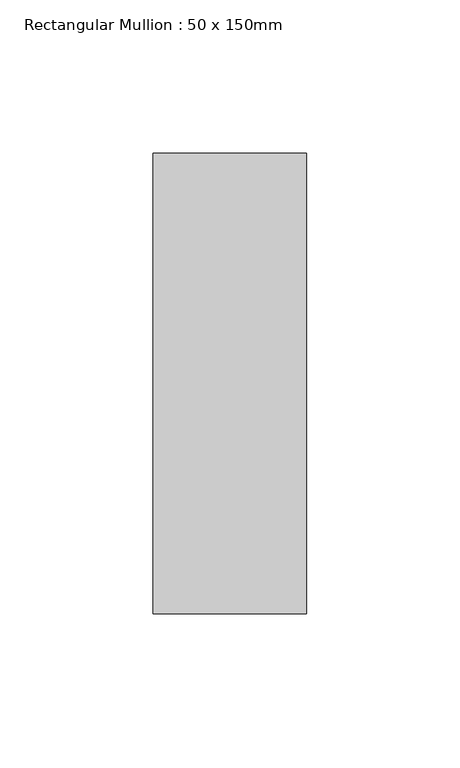
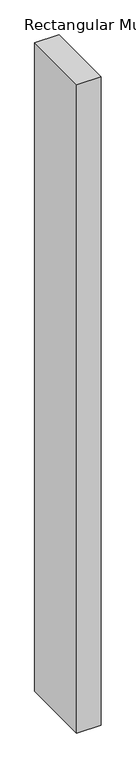
"""IFC4 building model written with IfcOpenShell, lengths in millimetres: member geometry, Rectangular Mullion : 50 x 150mm."""

from ifc_helpers import new_model, si_unit, frame, origin, place, context, project, spatial, polyline, outline, extrude, source, transform, mapped, element, save


def rectangular_mullion_50_x_150mm_8eb15256(model_context):
    return source(origin(), model_context, "Body", "SweptSolid", [
        extrude(outline(polyline([(0.0, 75.0), (0.0, -75.0), (-50.0, -75.0), (-50.0, 75.0), (0.0, 75.0)])), frame((0.0, 0.0, -1411.8421053), z_axis=(0.0, 0.0, 1.0), x_axis=(1.0, 0.0, 0.0)), (0.0, 0.0, 1.0), 1411.8421053),
    ])


if __name__ == "__main__":
    model = new_model("IFC4")
    model_context = context("Model", 3, world=origin())
    ifc_project = project(units=[si_unit("LENGTHUNIT", "METRE", prefix="MILLI")], contexts=[model_context])
    site = spatial("IfcSite", under=ifc_project)
    building = spatial("IfcBuilding", under=site)
    placement = place(None, origin())
    rectangular_mullion_50_x_150mm_shape = rectangular_mullion_50_x_150mm_8eb15256(model_context)
    element("IfcMember", 1, ObjectType="Rectangular Mullion : 50 x 150mm", at=placement, inside=building, context=model_context, shape_type="MappedRepresentation", body=[
        mapped(rectangular_mullion_50_x_150mm_shape, transform((0.0, 0.0, 0.0), x_axis=(1.0, 0.0, 0.0), y_axis=(0.0, 1.0, 0.0), z_axis=(0.0, 0.0, 1.0))),
    ])
    save(model, "model.ifc")
